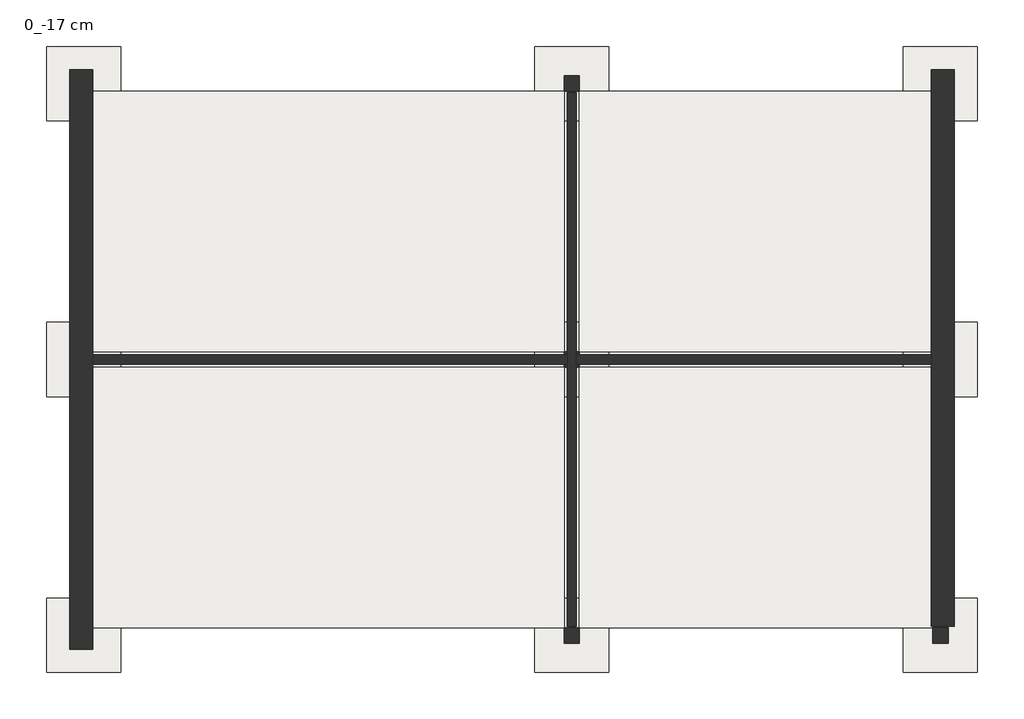
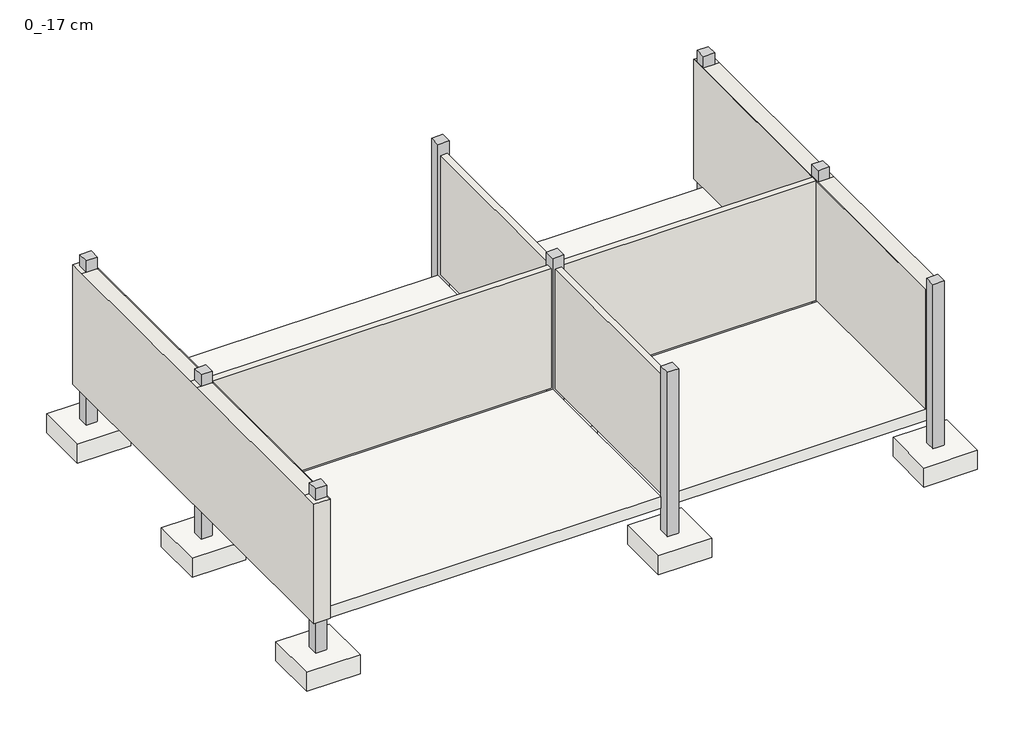
# One storey: 10 slabs, 9 columns, 4 walls.
"""IFC4 building model written with IfcOpenShell, lengths in millimetres."""

from ifc_helpers import new_model, si_unit, frame, origin, place, context, project, spatial, polyline, outline, extrude, faceted_brep, element, save

model = new_model("IFC4")

# Units and contexts
model_context = context("Model", 3, world=origin())
ifc_project = project(units=[si_unit("LENGTHUNIT", "METRE", prefix="MILLI")], contexts=[model_context])

# Site, building, storey
site = spatial("IfcSite", under=ifc_project)
building = spatial("IfcBuilding", under=site)
storey = spatial("IfcBuildingStorey", under=building, Name="0_-17 cm", Elevation=-170.0)

# Columns
placement = place(None, origin())
element("IfcColumn", 1, ObjectType="Concrete Square : 250 x 250 mm", at=placement, inside=storey, context=model_context, shape_type="SweptSolid", body=[
    extrude(outline(polyline([(-4216.2748084, 11934.6977103), (-4216.2748084, 11684.6977103), (-4466.2748084, 11684.6977103), (-4466.2748084, 11934.6977103), (-4216.2748084, 11934.6977103)])), frame((0.0, 0.0, -970.0), z_axis=(0.0, 0.0, 1.0), x_axis=(1.0, 0.0, 0.0)), (0.0, 0.0, 1.0), 3900.0),
])
element("IfcColumn", 2, ObjectType="Concrete Square : 250 x 250 mm", at=placement, inside=storey, context=model_context, shape_type="SweptSolid", body=[
    extrude(outline(polyline([(3676.1680841, 11934.6977103), (3676.1680841, 11684.6977103), (3426.1680841, 11684.6977103), (3426.1680841, 11934.6977103), (3676.1680841, 11934.6977103)])), frame((0.0, 0.0, -970.0), z_axis=(0.0, 0.0, 1.0), x_axis=(1.0, 0.0, 0.0)), (0.0, 0.0, 1.0), 3900.0),
])
element("IfcColumn", 3, ObjectType="Concrete Square : 250 x 250 mm", at=placement, inside=storey, context=model_context, shape_type="SweptSolid", body=[
    extrude(outline(polyline([(9636.1680841, 11934.6977103), (9636.1680841, 11684.6977103), (9386.1680841, 11684.6977103), (9386.1680841, 11934.6977103), (9636.1680841, 11934.6977103)])), frame((0.0, 0.0, -970.0), z_axis=(0.0, 0.0, 1.0), x_axis=(1.0, 0.0, 0.0)), (0.0, 0.0, 1.0), 3900.0),
])
element("IfcColumn", 4, ObjectType="Concrete Square : 250 x 250 mm", at=placement, inside=storey, context=model_context, shape_type="SweptSolid", body=[
    extrude(outline(polyline([(9636.1680841, 7474.6977103), (9636.1680841, 7224.6977103), (9386.1680841, 7224.6977103), (9386.1680841, 7474.6977103), (9636.1680841, 7474.6977103)])), frame((0.0, 0.0, -970.0), z_axis=(0.0, 0.0, 1.0), x_axis=(1.0, 0.0, 0.0)), (0.0, 0.0, 1.0), 3900.0),
])
element("IfcColumn", 5, ObjectType="Concrete Square : 250 x 250 mm", at=placement, inside=storey, context=model_context, shape_type="SweptSolid", body=[
    extrude(outline(polyline([(9636.1680841, 3014.6977103), (9636.1680841, 2764.6977103), (9386.1680841, 2764.6977103), (9386.1680841, 3014.6977103), (9636.1680841, 3014.6977103)])), frame((0.0, 0.0, -970.0), z_axis=(0.0, 0.0, 1.0), x_axis=(1.0, 0.0, 0.0)), (0.0, 0.0, 1.0), 3900.0),
])
element("IfcColumn", 6, ObjectType="Concrete Square : 250 x 250 mm", at=placement, inside=storey, context=model_context, shape_type="SweptSolid", body=[
    extrude(outline(polyline([(3676.1680841, 3014.6977103), (3676.1680841, 2764.6977103), (3426.1680841, 2764.6977103), (3426.1680841, 3014.6977103), (3676.1680841, 3014.6977103)])), frame((0.0, 0.0, -970.0), z_axis=(0.0, 0.0, 1.0), x_axis=(1.0, 0.0, 0.0)), (0.0, 0.0, 1.0), 3900.0),
])
element("IfcColumn", 7, ObjectType="Concrete Square : 250 x 250 mm", at=placement, inside=storey, context=model_context, shape_type="SweptSolid", body=[
    extrude(outline(polyline([(-4216.2748084, 3014.6977103), (-4216.2748084, 2764.6977103), (-4466.2748084, 2764.6977103), (-4466.2748084, 3014.6977103), (-4216.2748084, 3014.6977103)])), frame((0.0, 0.0, -970.0), z_axis=(0.0, 0.0, 1.0), x_axis=(1.0, 0.0, 0.0)), (0.0, 0.0, 1.0), 3900.0),
])
element("IfcColumn", 8, ObjectType="Concrete Square : 250 x 250 mm", at=placement, inside=storey, context=model_context, shape_type="SweptSolid", body=[
    extrude(outline(polyline([(-4216.2748084, 7474.6977103), (-4216.2748084, 7224.6977103), (-4466.2748084, 7224.6977103), (-4466.2748084, 7474.6977103), (-4216.2748084, 7474.6977103)])), frame((0.0, 0.0, -970.0), z_axis=(0.0, 0.0, 1.0), x_axis=(1.0, 0.0, 0.0)), (0.0, 0.0, 1.0), 3900.0),
])
element("IfcColumn", 9, ObjectType="Concrete Square : 250 x 250 mm", at=placement, inside=storey, context=model_context, shape_type="Brep", body=[
    faceted_brep([(3676.1680841, 7474.6977103, -970.0), (3676.1680841, 7224.6977103, -970.0), (3426.1680841, 7224.6977103, -970.0), (3426.1680841, 7474.6977103, -970.0), (3676.1680841, 7474.6977103, 2930.0), (3676.1680841, 7224.6977103, 2930.0), (3676.1680841, 7224.6977103, 2680.0), (3676.1680841, 7474.6977103, 2680.0), (3426.1680841, 7224.6977103, 2930.0), (3426.1680841, 7224.6977103, 2680.0), (3426.1680841, 7474.6977103, 2930.0), (3426.1680841, 7474.6977103, 2680.0)], [[[0, 1, 2, 3]], [[4, 5, 6, 1, 0, 7]], [[5, 8, 9, 2, 1, 6]], [[8, 10, 11, 3, 2, 9]], [[10, 4, 7, 0, 3, 11]], [[4, 10, 8, 5]]]),
])

# Slabs
element("IfcSlab", 10, ObjectType="Floor_27", at=placement, inside=storey, context=model_context, shape_type="SweptSolid", body=[
    extrude(outline(polyline([(9386.1680841, 11684.6977103), (9386.1680841, 7474.6977103), (3676.1680841, 7474.6977103), (3676.1680841, 11684.6977103), (9386.1680841, 11684.6977103)])), frame((0.0, 0.0, -440.0), z_axis=(0.0, 0.0, 1.0), x_axis=(1.0, 0.0, 0.0)), (0.0, 0.0, 1.0), 270.0),
    extrude(outline(polyline([(3426.1680841, 11684.6977103), (3426.1680841, 7474.6977103), (-4216.2748084, 7474.6977103), (-4216.2748084, 11684.6977103), (3426.1680841, 11684.6977103)])), frame((0.0, 0.0, -440.0), z_axis=(0.0, 0.0, 1.0), x_axis=(1.0, 0.0, 0.0)), (0.0, 0.0, 1.0), 270.0),
    extrude(outline(polyline([(9386.1680841, 7224.6977103), (9386.1680841, 3014.6977103), (3676.1680841, 3014.6977103), (3676.1680841, 7224.6977103), (9386.1680841, 7224.6977103)])), frame((0.0, 0.0, -440.0), z_axis=(0.0, 0.0, 1.0), x_axis=(1.0, 0.0, 0.0)), (0.0, 0.0, 1.0), 270.0),
    extrude(outline(polyline([(-4216.2748084, 3014.6977103), (-4216.2748084, 7224.6977103), (3426.1680841, 7224.6977103), (3426.1680841, 3014.6977103), (-4216.2748084, 3014.6977103)])), frame((0.0, 0.0, -440.0), z_axis=(0.0, 0.0, 1.0), x_axis=(1.0, 0.0, 0.0)), (0.0, 0.0, 1.0), 270.0),
])
element("IfcSlab", 11, ObjectType="Footing-Rectangular : 1200 x 1200 x 450mm", at=placement, inside=storey, context=model_context, shape_type="SweptSolid", body=[
    extrude(outline(polyline([(-3741.2748084, 12409.6977103), (-3741.2748084, 11209.6977103), (-4941.2748084, 11209.6977103), (-4941.2748084, 12409.6977103), (-3741.2748084, 12409.6977103)])), frame((0.0, 0.0, -1420.0), z_axis=(0.0, 0.0, 1.0), x_axis=(1.0, 0.0, 0.0)), (0.0, 0.0, 1.0), 450.0),
])
element("IfcSlab", 12, ObjectType="Footing-Rectangular : 1200 x 1200 x 450mm", at=placement, inside=storey, context=model_context, shape_type="SweptSolid", body=[
    extrude(outline(polyline([(4151.1680841, 12409.6977103), (4151.1680841, 11209.6977103), (2951.1680841, 11209.6977103), (2951.1680841, 12409.6977103), (4151.1680841, 12409.6977103)])), frame((0.0, 0.0, -1420.0), z_axis=(0.0, 0.0, 1.0), x_axis=(1.0, 0.0, 0.0)), (0.0, 0.0, 1.0), 450.0),
])
element("IfcSlab", 13, ObjectType="Footing-Rectangular : 1200 x 1200 x 450mm", at=placement, inside=storey, context=model_context, shape_type="SweptSolid", body=[
    extrude(outline(polyline([(10111.1680841, 12409.6977103), (10111.1680841, 11209.6977103), (8911.1680841, 11209.6977103), (8911.1680841, 12409.6977103), (10111.1680841, 12409.6977103)])), frame((0.0, 0.0, -1420.0), z_axis=(0.0, 0.0, 1.0), x_axis=(1.0, 0.0, 0.0)), (0.0, 0.0, 1.0), 450.0),
])
element("IfcSlab", 14, ObjectType="Footing-Rectangular : 1200 x 1200 x 450mm", at=placement, inside=storey, context=model_context, shape_type="SweptSolid", body=[
    extrude(outline(polyline([(10111.1680841, 7949.6977103), (10111.1680841, 6749.6977103), (8911.1680841, 6749.6977103), (8911.1680841, 7949.6977103), (10111.1680841, 7949.6977103)])), frame((0.0, 0.0, -1420.0), z_axis=(0.0, 0.0, 1.0), x_axis=(1.0, 0.0, 0.0)), (0.0, 0.0, 1.0), 450.0),
])
element("IfcSlab", 15, ObjectType="Footing-Rectangular : 1200 x 1200 x 450mm", at=placement, inside=storey, context=model_context, shape_type="SweptSolid", body=[
    extrude(outline(polyline([(10111.1680841, 3489.6977103), (10111.1680841, 2289.6977103), (8911.1680841, 2289.6977103), (8911.1680841, 3489.6977103), (10111.1680841, 3489.6977103)])), frame((0.0, 0.0, -1420.0), z_axis=(0.0, 0.0, 1.0), x_axis=(1.0, 0.0, 0.0)), (0.0, 0.0, 1.0), 450.0),
])
element("IfcSlab", 16, ObjectType="Footing-Rectangular : 1200 x 1200 x 450mm", at=placement, inside=storey, context=model_context, shape_type="SweptSolid", body=[
    extrude(outline(polyline([(4150.9466378, 3489.6977103), (4150.9466378, 2289.6977103), (2950.9466378, 2289.6977103), (2950.9466378, 3489.6977103), (4150.9466378, 3489.6977103)])), frame((0.0, 0.0, -1420.0), z_axis=(0.0, 0.0, 1.0), x_axis=(1.0, 0.0, 0.0)), (0.0, 0.0, 1.0), 450.0),
])
element("IfcSlab", 17, ObjectType="Footing-Rectangular : 1200 x 1200 x 450mm", at=placement, inside=storey, context=model_context, shape_type="SweptSolid", body=[
    extrude(outline(polyline([(-3741.2748084, 3489.6977103), (-3741.2748084, 2289.6977103), (-4941.2748084, 2289.6977103), (-4941.2748084, 3489.6977103), (-3741.2748084, 3489.6977103)])), frame((0.0, 0.0, -1420.0), z_axis=(0.0, 0.0, 1.0), x_axis=(1.0, 0.0, 0.0)), (0.0, 0.0, 1.0), 450.0),
])
element("IfcSlab", 18, ObjectType="Footing-Rectangular : 1200 x 1200 x 450mm", at=placement, inside=storey, context=model_context, shape_type="SweptSolid", body=[
    extrude(outline(polyline([(-3741.2748084, 7949.6977103), (-3741.2748084, 6749.6977103), (-4941.2748084, 6749.6977103), (-4941.2748084, 7949.6977103), (-3741.2748084, 7949.6977103)])), frame((0.0, 0.0, -1420.0), z_axis=(0.0, 0.0, 1.0), x_axis=(1.0, 0.0, 0.0)), (0.0, 0.0, 1.0), 450.0),
])
element("IfcSlab", 19, ObjectType="Footing-Rectangular : 1200 x 1200 x 450mm", at=placement, inside=storey, context=model_context, shape_type="SweptSolid", body=[
    extrude(outline(polyline([(4151.1680841, 7949.6977103), (4151.1680841, 6749.6977103), (2951.1680841, 6749.6977103), (2951.1680841, 7949.6977103), (4151.1680841, 7949.6977103)])), frame((0.0, 0.0, -1420.0), z_axis=(0.0, 0.0, 1.0), x_axis=(1.0, 0.0, 0.0)), (0.0, 0.0, 1.0), 450.0),
])

# Walls
element("IfcWall", 20, ObjectType="Wall_Ext_37cm", at=placement, inside=storey, context=model_context, shape_type="Brep", body=[
    faceted_brep([(-4566.2748084, 12034.6977103, -170.0), (-4566.2748084, 2664.6977103, -170.0), (-4566.2748084, 2664.6977103, 2660.0), (-4566.2748084, 3014.6977103, 2660.0), (-4566.2748084, 7224.6977103, 2660.0), (-4566.2748084, 7474.6977103, 2660.0), (-4566.2748084, 11684.6977103, 2660.0), (-4566.2748084, 12034.6977103, 2660.0), (-4196.2748084, 12034.6977103, -170.0), (-4196.2748084, 12034.6977103, 2660.0), (-4196.2748084, 11684.6977103, 2660.0), (-4196.2748084, 11664.6977103, 2660.0), (-4196.2748084, 7474.6977103, 2660.0), (-4196.2748084, 7424.6977103, 2660.0), (-4196.2748084, 7274.6977103, 2660.0), (-4196.2748084, 7224.6977103, 2660.0), (-4196.2748084, 3034.6977103, 2660.0), (-4196.2748084, 3014.6977103, 2660.0), (-4196.2748084, 2664.6977103, 2660.0), (-4196.2748084, 2664.6977103, -170.0), (-4196.2748084, 3034.6977103, -170.0), (-4196.2748084, 7274.6977103, -170.0), (-4196.2748084, 7424.6977103, -170.0), (-4196.2748084, 11664.6977103, -170.0), (-4466.2748084, 12034.6977103, -170.0), (-4466.2748084, 2664.6977103, -170.0), (-4216.2748084, 2664.6977103, 2660.0), (-4216.2748084, 12034.6977103, 2660.0), (-4216.2748084, 11684.6977103, 2660.0), (-4216.2748084, 7474.6977103, 2660.0), (-4216.2748084, 3014.6977103, 2660.0), (-4216.2748084, 7224.6977103, 2660.0)], [[[0, 1, 2, 3, 4, 5, 6, 7]], [[8, 9, 10, 11, 12, 13, 14, 15, 16, 17, 18, 19, 20, 21, 22, 23]], [[24, 8, 23, 22, 21, 20, 19, 25]], [[2, 1, 25, 19, 18, 26]], [[0, 7, 27, 9, 8, 24]], [[1, 0, 24, 25]], [[10, 9, 27, 28]], [[6, 5, 29, 28]], [[7, 6, 28, 27]], [[29, 12, 11, 10, 28]], [[26, 18, 17, 30]], [[3, 2, 26, 30]], [[15, 14, 13, 12, 29, 31]], [[4, 3, 30, 31]], [[5, 4, 31, 29]], [[17, 16, 15, 31, 30]]]),
])
element("IfcWall", 21, ObjectType="Wall_Ext_37cm", at=placement, inside=storey, context=model_context, shape_type="Brep", body=[
    faceted_brep([(9736.1680841, 3034.6977103, -170.0), (9736.1680841, 12034.6977103, -170.0), (9736.1680841, 12034.6977103, 2660.0), (9736.1680841, 11684.6977103, 2660.0), (9736.1680841, 7474.6977103, 2660.0), (9736.1680841, 7224.6977103, 2660.0), (9736.1680841, 3034.6977103, 2660.0), (9366.1680841, 3034.6977103, -170.0), (9366.1680841, 3034.6977103, 2660.0), (9366.1680841, 7224.6977103, 2660.0), (9366.1680841, 7274.6977103, 2660.0), (9366.1680841, 7424.6977103, 2660.0), (9366.1680841, 7474.6977103, 2660.0), (9366.1680841, 11664.6977103, 2660.0), (9366.1680841, 11684.6977103, 2660.0), (9366.1680841, 12034.6977103, 2660.0), (9366.1680841, 12034.6977103, -170.0), (9366.1680841, 11664.6977103, -170.0), (9366.1680841, 7424.6977103, -170.0), (9366.1680841, 7274.6977103, -170.0), (9636.1680841, 3034.6977103, -170.0), (9636.1680841, 12034.6977103, -170.0), (9386.1680841, 3034.6977103, 2660.0), (9386.1680841, 12034.6977103, 2660.0), (9386.1680841, 11684.6977103, 2660.0), (9386.1680841, 7474.6977103, 2660.0), (9386.1680841, 7224.6977103, 2660.0)], [[[0, 1, 2, 3, 4, 5, 6]], [[7, 8, 9, 10, 11, 12, 13, 14, 15, 16, 17, 18, 19]], [[20, 7, 19, 18, 17, 16, 21]], [[0, 6, 22, 8, 7, 20]], [[2, 1, 21, 16, 15, 23]], [[1, 0, 20, 21]], [[4, 3, 24, 25]], [[23, 15, 14, 24]], [[3, 2, 23, 24]], [[25, 12, 11, 10, 9, 26]], [[6, 5, 26, 22]], [[5, 4, 25, 26]], [[24, 14, 13, 12, 25]], [[9, 8, 22, 26]]]),
])
element("IfcWall", 22, ObjectType="Wall_Int_15 cm", at=placement, inside=storey, context=model_context, shape_type="Brep", body=[
    faceted_brep([(3476.1680841, 11664.6977103, -170.0), (3476.1680841, 7424.6977103, -170.0), (3476.1680841, 7274.6977103, -170.0), (3476.1680841, 3034.6977103, -170.0), (3476.1680841, 3034.6977103, 2660.0), (3476.1680841, 7274.6977103, 2660.0), (3476.1680841, 7424.6977103, 2660.0), (3476.1680841, 11664.6977103, 2660.0), (3626.1680841, 11664.6977103, -170.0), (3626.1680841, 11664.6977103, 2660.0), (3626.1680841, 7424.6977103, 2660.0), (3626.1680841, 7274.6977103, 2660.0), (3626.1680841, 3034.6977103, 2660.0), (3626.1680841, 3034.6977103, -170.0), (3626.1680841, 7274.6977103, -170.0), (3626.1680841, 7424.6977103, -170.0)], [[[0, 1, 2, 3, 4, 5, 6, 7]], [[8, 9, 10, 11, 12, 13, 14, 15]], [[3, 2, 1, 0, 8, 15, 14, 13]], [[7, 6, 5, 4, 12, 11, 10, 9]], [[4, 3, 13, 12]], [[0, 7, 9, 8]]]),
])
element("IfcWall", 23, ObjectType="Wall_Int_15 cm", at=placement, inside=storey, context=model_context, shape_type="SweptSolid", body=[
    extrude(outline(polyline([(-4196.2748084, 7274.6977103), (-4196.2748084, 7424.6977103), (3476.1680841, 7424.6977103), (3476.1680841, 7274.6977103), (-4196.2748084, 7274.6977103)])), frame((0.0, 0.0, -170.0), z_axis=(0.0, 0.0, 1.0), x_axis=(1.0, 0.0, 0.0)), (0.0, 0.0, 1.0), 2830.0),
    extrude(outline(polyline([(9366.1680841, 7424.6977103), (9366.1680841, 7274.6977103), (3626.1680841, 7274.6977103), (3626.1680841, 7424.6977103), (9366.1680841, 7424.6977103)])), frame((0.0, 0.0, -170.0), z_axis=(0.0, 0.0, 1.0), x_axis=(1.0, 0.0, 0.0)), (0.0, 0.0, 1.0), 2830.0),
])

save(model, "model.ifc")
